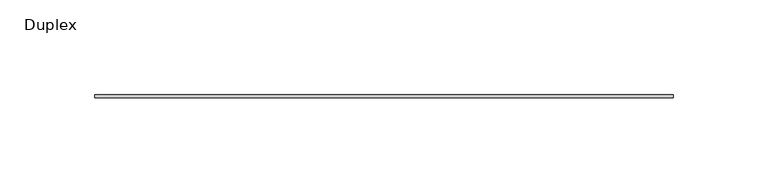
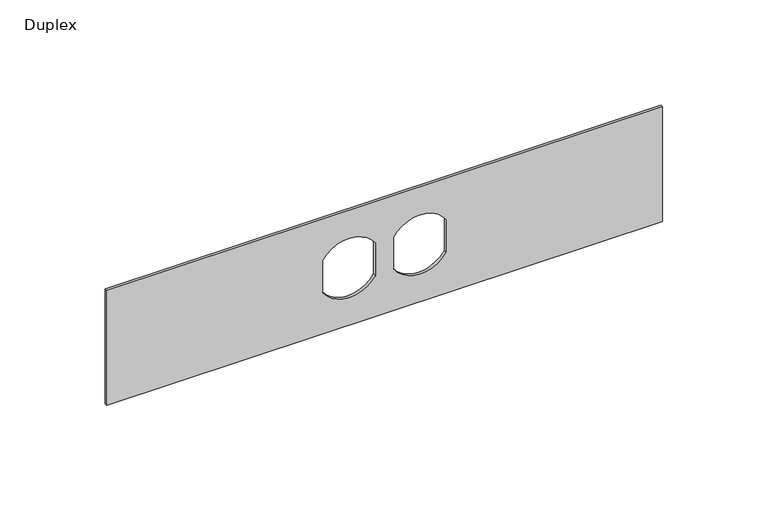
"""IFC4 building model written with IfcOpenShell, lengths in millimetres: furniture geometry, Duplex."""

from ifc_helpers import new_model, si_unit, point, frame, frame_2d, origin, place, context, project, spatial, polyline, circle_curve, trimmed, segment, composite_curve, outline, extrude, source, transform, mapped, element, save


def duplex_7825e899(model_context):
    return source(origin(), model_context, "Body", "SweptSolid", [
        extrude(outline(polyline([(1025.525, 171.1377049), (1025.525, -133.6622951), (958.85, -133.6622951), (958.85, 171.1377049), (1025.525, 171.1377049)]), holes=[composite_curve([segment(polyline([(1001.5140625, 13.6775487), (982.8884118, 13.6775487)]), True, "CONTINUOUS"), segment(trimmed(circle_curve(frame_2d((992.1875, -0.7091701)), 17.1304033), [point((982.8884118, 13.6775487))], [point((982.7366767, -14.9966701))], True, "CARTESIAN"), True, "CONTINUOUS"), segment(polyline([(982.7366767, -14.9966701), (1001.5140625, -14.9966701)]), True, "CONTINUOUS"), segment(trimmed(circle_curve(frame_2d((992.1386685, -0.6595607)), 17.1304033), [point((1001.5140625, -14.9966701))], [point((1001.5140625, 13.6775487))], True, "CARTESIAN"), True, "CONTINUOUS")], self_intersect=False), composite_curve([segment(trimmed(circle_curve(frame_2d((992.1875, 38.1845799)), 17.1304033), [point((1001.4865882, 23.7978612))], [point((1001.6383233, 52.4720799))], True, "CARTESIAN"), True, "CONTINUOUS"), segment(polyline([(1001.6383233, 52.4720799), (982.7366767, 52.4720799)]), True, "CONTINUOUS"), segment(trimmed(circle_curve(frame_2d((992.1875, 38.1845799)), 17.1304033), [point((982.7366767, 52.4720799))], [point((982.8884118, 23.7978612))], True, "CARTESIAN"), True, "CONTINUOUS"), segment(polyline([(982.8884118, 23.7978612), (1001.4865882, 23.7978612)]), True, "CONTINUOUS")], self_intersect=False)]), frame((0.0, -1.5875, 0.0), z_axis=(0.0, 1.0, 0.0), x_axis=(0.0, 0.0, 1.0)), (0.0, 0.0, 1.0), 1.5875),
    ])


if __name__ == "__main__":
    model = new_model("IFC4")
    model_context = context("Model", 3, world=origin())
    ifc_project = project(units=[si_unit("LENGTHUNIT", "METRE", prefix="MILLI")], contexts=[model_context])
    site = spatial("IfcSite", under=ifc_project)
    building = spatial("IfcBuilding", under=site)
    placement = place(None, origin())
    duplex_shape = duplex_7825e899(model_context)
    element("IfcFurniture", 1, ObjectType="Duplex", at=placement, inside=building, context=model_context, shape_type="MappedRepresentation", body=[
        mapped(duplex_shape, transform((0.0, 0.0, 0.0), x_axis=(1.0, 0.0, 0.0), y_axis=(0.0, 1.0, 0.0), z_axis=(0.0, 0.0, 1.0))),
    ])
    save(model, "model.ifc")
